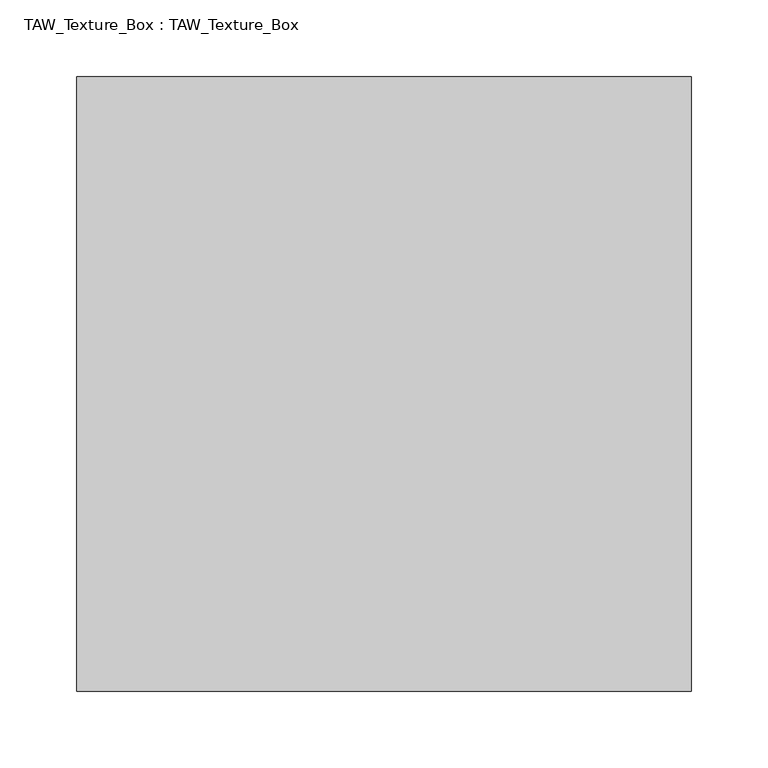
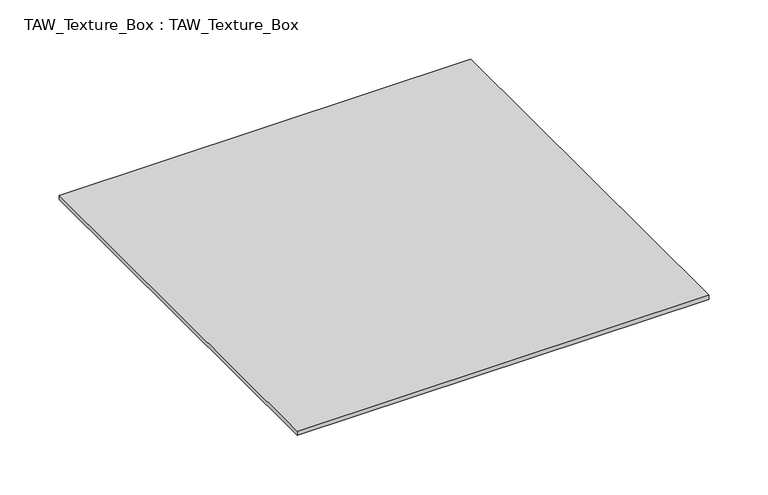
"""IFC4 building model written with IfcOpenShell, lengths in millimetres: proxy geometry, TAW_Texture_Box : TAW_Texture_Box."""

from ifc_helpers import new_model, si_unit, origin, origin_with_axes, place, context, project, spatial, polyline, outline, extrude, source, transform, mapped, element, save


def taw_texture_box_taw_texture_box_70cc966a(model_context):
    return source(origin(), model_context, "Body", "SweptSolid", [
        extrude(outline(polyline([(200.0, 200.0), (200.0, -200.0), (-200.0, -200.0), (-200.0, 200.0), (200.0, 200.0)])), origin_with_axes(), (0.0, 0.0, 1.0), 4.2544424),
    ])


if __name__ == "__main__":
    model = new_model("IFC4")
    model_context = context("Model", 3, world=origin())
    ifc_project = project(units=[si_unit("LENGTHUNIT", "METRE", prefix="MILLI")], contexts=[model_context])
    site = spatial("IfcSite", under=ifc_project)
    building = spatial("IfcBuilding", under=site)
    placement = place(None, origin())
    taw_texture_box_taw_texture_box_shape = taw_texture_box_taw_texture_box_70cc966a(model_context)
    element("IfcBuildingElementProxy", 1, Name="TAW_Texture_Box : TAW_Texture_Box", ObjectType="TAW_Texture_Box : TAW_Texture_Box", at=placement, inside=building, context=model_context, shape_type="MappedRepresentation", body=[
        mapped(taw_texture_box_taw_texture_box_shape, transform((0.0, 0.0, 0.0), x_axis=(1.0, 0.0, 0.0), y_axis=(0.0, 1.0, 0.0), z_axis=(0.0, 0.0, 1.0))),
    ])
    save(model, "model.ifc")
